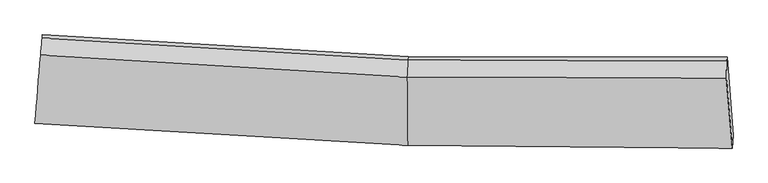
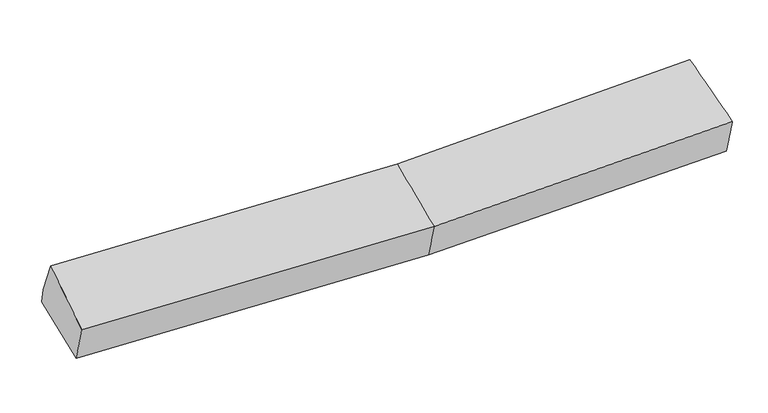
"""IFC4 building model written with IfcOpenShell, lengths in millimetres: proxy geometry."""

from ifc_helpers import new_model, si_unit, frame, origin, place, context, project, spatial, source, transform, mapped, element, save
from ifc_brep_helpers import plane_surface, spline_surface, advanced_brep


def generic_models_b7aa1df7(model_context):
    return source(origin(), model_context, "Body", "AdvancedBrep", [
        advanced_brep(
        [(-3230.2012001, -1916.8201284, 2044.6394624), (-3219.0632985, -1805.2601769, 1678.6845941), (139.7853767, -2004.2388941, 1702.9609611), (131.2950837, -2115.9128187, 2068.9520687), (-3161.8704199, -1114.1797037, 1829.2369073), (138.089868, -1310.6234224, 1852.7072379), (-3165.2835908, -1146.2490942, 1977.7416903), (134.6766971, -1342.6928129, 2001.2120209), (-3179.6686469, -1297.8349958, 2321.5940916), (126.5851406, -1494.549634, 2345.1505646), (3010.7361303, -1352.2539127, 2091.7228665), (3008.109061, -1503.9310546, 2435.8258051), (3062.1387118, -2139.6488071, 2154.0076681), (3068.6158223, -2026.017669, 1776.6966441), (3014.4862019, -1317.0190786, 1928.5597594)],
        [
            (0, 1),
            (1, 2),
            (2, 3),
            (3, 0),
            (1, 4),
            (4, 5),
            (5, 1),
            (4, 6),
            (6, 7),
            (7, 5),
            (6, 8),
            (8, 9),
            (9, 7),
            (8, 0),
            (3, 9),
            (10, 11),
            (11, 12),
            (12, 13),
            (13, 14),
            (14, 10),
            (5, 2),
            (9, 11),
            (10, 7),
            (3, 12),
            (2, 13),
            (5, 14),
        ],
        [
            spline_surface(1, 1, [[(-3230.2012001, -1916.8201284, 2044.6394624), (131.2950837, -2115.9128187, 2068.9520687)], [(-3219.0632985, -1805.2601769, 1678.6845941), (139.7853767, -2004.2388941, 1702.9609611)]], [2, 2], [2, 2], [0.0, 1.0], [0.0, 1.0]),
            plane_surface(frame((-3190.4668592, -1459.7199403, 1753.9607507), z_axis=(0.01952735464975054, 0.21127447769058133, -0.9772316907964841), x_axis=(0.08059899131253664, 0.9739042752083749, 0.21216565539750257))),
            plane_surface(frame((-3163.5770053, -1130.214399, 1903.4892988), z_axis=(0.05657090118435607, 0.9756337896833128, 0.21198689008372035), x_axis=(-0.022460046906290825, -0.2110295748282391, 0.9772216047758973))),
            spline_surface(1, 1, [[(-3165.2835908, -1146.2490942, 1977.7416903), (134.6766971, -1342.6928129, 2001.2120209)], [(-3179.6686469, -1297.8349958, 2321.5940916), (126.5851406, -1494.549634, 2345.1505646)]], [2, 2], [2, 2], [0.0, 1.0], [0.0, 1.0]),
            spline_surface(1, 1, [[(-3179.6686469, -1297.8349958, 2321.5940916), (126.5851406, -1494.549634, 2345.1505646)], [(-3230.2012001, -1916.8201284, 2044.6394624), (131.2950837, -2115.9128187, 2068.9520687)]], [2, 2], [2, 2], [0.0, 1.0], [0.0, 1.0]),
            plane_surface(frame((3032.8171855, -1667.7741044, 2077.3625486), z_axis=(0.9969720766492892, 0.06805930631555185, 0.03761129093038301), x_axis=(-0.006985806937343108, -0.40333433795992174, 0.9150260162005591))),
            plane_surface(frame((-3191.2174312, -1456.0688198, 1970.3793492), z_axis=(-0.9964935267689248, 0.08352832620588306, -0.004865164835238078), x_axis=(0.07431257823553471, 0.9102722539179484, 0.4072862193385945))),
            plane_surface(frame((-3219.0632985, -1805.2601769, 1678.6845941), z_axis=(0.019565178279948758, 0.2110356532370222, -0.9772825368652084), x_axis=(-0.00238939348479072, 0.9774767187118525, 0.2110297495024931))),
            spline_surface(1, 1, [[(134.6766971, -1342.6928129, 2001.2120209), (3010.7361303, -1352.2539127, 2091.7228665)], [(126.5851406, -1494.549634, 2345.1505646), (3008.109061, -1503.9310546, 2435.8258051)]], [2, 2], [2, 2], [0.0, 1.0], [0.0, 1.0]),
            spline_surface(1, 1, [[(126.5851406, -1494.549634, 2345.1505646), (3008.109061, -1503.9310546, 2435.8258051)], [(131.2950837, -2115.9128187, 2068.9520687), (3062.1387118, -2139.6488071, 2154.0076681)]], [2, 2], [2, 2], [0.0, 1.0], [0.0, 1.0]),
            spline_surface(1, 1, [[(131.2950837, -2115.9128187, 2068.9520687), (3062.1387118, -2139.6488071, 2154.0076681)], [(139.7853767, -2004.2388941, 1702.9609611), (3068.6158223, -2026.017669, 1776.6966441)]], [2, 2], [2, 2], [0.0, 1.0], [0.0, 1.0]),
            spline_surface(1, 1, [[(139.7853767, -2004.2388941, 1702.9609611), (3068.6158223, -2026.017669, 1776.6966441)], [(138.089868, -1310.6234224, 1852.7072379), (3014.4862019, -1317.0190786, 1928.5597594)]], [2, 2], [2, 2], [0.0, 1.0], [0.0, 1.0]),
            plane_surface(frame((136.3832825, -1326.6581177, 1926.9596294), z_axis=(-0.0033909814636533787, 0.9774786373758281, 0.21100714376202467), x_axis=(-0.02246004690650353, -0.21102957482816914, 0.9772216047759075))),
        ],
        [
            (0, [[1, 2, 3, 4]]),
            (1, [[5, 6, 7]]),
            (2, [[8, 9, 10, -6]]),
            (3, [[11, 12, 13, -9]]),
            (4, [[14, -4, 15, -12]]),
            (5, [[16, 17, 18, 19, 20]]),
            (6, [[-14, -11, -8, -5, -1]]),
            (7, [[21, -2, -7]]),
            (8, [[-13, 22, -16, 23]]),
            (9, [[-15, 24, -17, -22]]),
            (10, [[-3, 25, -18, -24]]),
            (11, [[-21, 26, -19, -25]]),
            (12, [[-10, -23, -20, -26]]),
        ],
    ),
    ])


if __name__ == "__main__":
    model = new_model("IFC4")
    model_context = context("Model", 3, world=origin())
    ifc_project = project(units=[si_unit("LENGTHUNIT", "METRE", prefix="MILLI")], contexts=[model_context])
    site = spatial("IfcSite", under=ifc_project)
    building = spatial("IfcBuilding", under=site)
    placement = place(None, origin())
    generic_models_shape = generic_models_b7aa1df7(model_context)
    element("IfcBuildingElementProxy", 1, Name="Generic Models", at=placement, inside=building, context=model_context, shape_type="MappedRepresentation", body=[
        mapped(generic_models_shape, transform((0.0, 0.0, 0.0), x_axis=(1.0, 0.0, 0.0), y_axis=(0.0, 1.0, 0.0), z_axis=(0.0, 0.0, 1.0))),
    ])
    save(model, "model.ifc")
